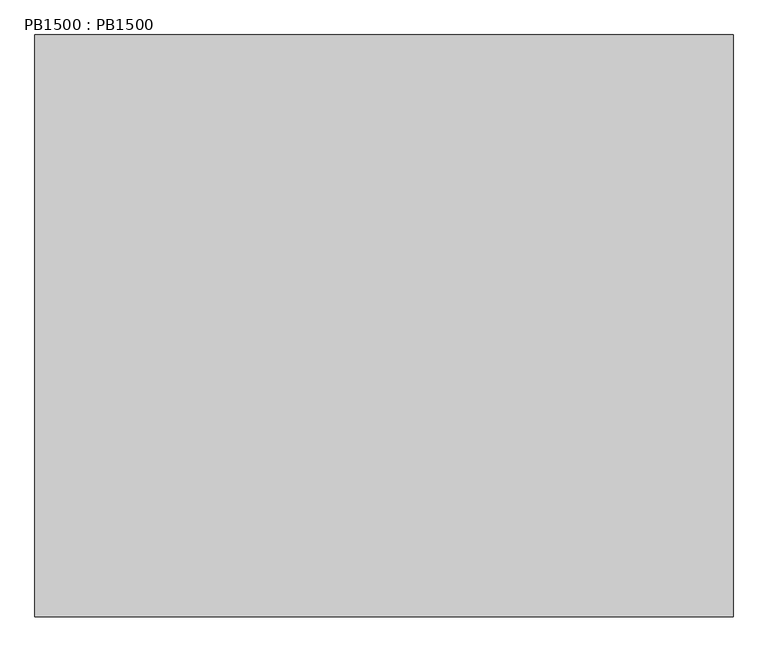
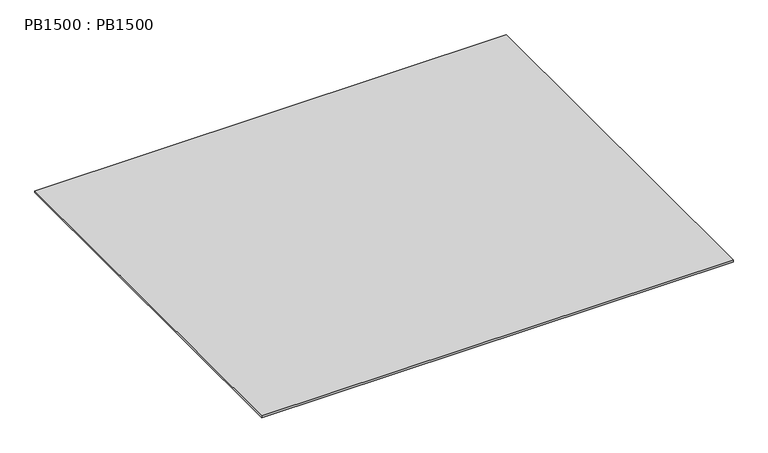
"""IFC4 building model written with IfcOpenShell, lengths in millimetres: proxy geometry, PB1500 : PB1500."""

from ifc_helpers import new_model, si_unit, origin, origin_with_axes, place, context, project, spatial, polyline, outline, extrude, source, transform, mapped, element, save


def pb1500_pb1500_5ee6ba07(model_context):
    return source(origin(), model_context, "Body", "SweptSolid", [
        extrude(outline(polyline([(3000.0, 0.0), (3000.0, -2500.0), (0.0, -2500.0), (0.0, 0.0), (3000.0, 0.0)])), origin_with_axes(), (0.0, 0.0, 1.0), 12.5),
    ])


if __name__ == "__main__":
    model = new_model("IFC4")
    model_context = context("Model", 3, world=origin())
    ifc_project = project(units=[si_unit("LENGTHUNIT", "METRE", prefix="MILLI")], contexts=[model_context])
    site = spatial("IfcSite", under=ifc_project)
    building = spatial("IfcBuilding", under=site)
    placement = place(None, origin())
    pb1500_pb1500_shape = pb1500_pb1500_5ee6ba07(model_context)
    element("IfcBuildingElementProxy", 1, Name="PB1500 : PB1500", ObjectType="PB1500 : PB1500", at=placement, inside=building, context=model_context, shape_type="MappedRepresentation", body=[
        mapped(pb1500_pb1500_shape, transform((0.0, 0.0, 0.0), x_axis=(1.0, 0.0, 0.0), y_axis=(0.0, 1.0, 0.0), z_axis=(0.0, 0.0, 1.0))),
    ])
    save(model, "model.ifc")
